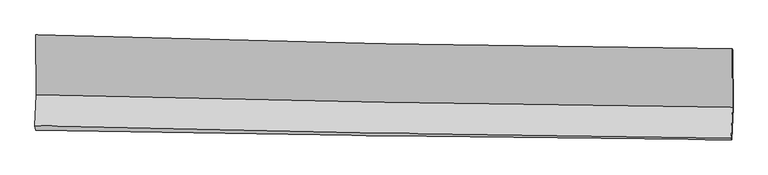
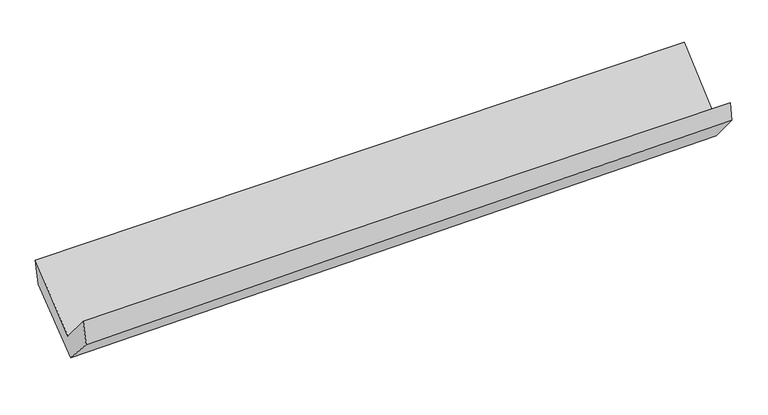
"""IFC4 building model written with IfcOpenShell, lengths in millimetres: proxy geometry."""

import ifcopenshell
import ifcopenshell.guid

model = None  # the IFC model being written
_history = None  # IfcOwnerHistory: only IFC2X3 demands one
_inside = {}  # id of a spatial element -> (the spatial element, [elements in it])
_under = {}  # id of a project, library or spatial element -> (it, [spatial elements below it])
_declared = {}  # id of a project -> (the project, [libraries it declares])
_typed = {}  # id of a type object -> (the type object, [elements of that type])
_made_of = {}  # id of a material, layer set ... -> (it, [elements and type objects made of it])


def new_model(schema):
    """Start an empty IFC model of exactly this schema.

    Asked for "IFC4X3", IfcOpenShell would pick the latest addendum, in which some entities
    have other attributes; the version numbers below select the first issue.
    IFC2X3 requires an IfcOwnerHistory on every rooted entity: one is made here for all.
    """
    global model, _history
    if schema == "IFC4X3":
        model = ifcopenshell.file(schema_version=(4, 3, 0, 0))
    else:
        model = ifcopenshell.file(schema=schema)
    _inside.clear()
    _under.clear()
    _declared.clear()
    _typed.clear()
    _made_of.clear()
    _history = None
    if model.schema == "IFC2X3":
        org = make("IfcOrganization", Name="unknown")
        user = make(
            "IfcPersonAndOrganization",
            ThePerson=make("IfcPerson", FamilyName="unknown"),
            TheOrganization=org,
        )
        app = make(
            "IfcApplication",
            ApplicationDeveloper=org,
            Version="unknown",
            ApplicationFullName="unknown",
            ApplicationIdentifier="unknown",
        )
        _history = make(
            "IfcOwnerHistory",
            OwningUser=user,
            OwningApplication=app,
            ChangeAction="ADDED",
            CreationDate=0,
        )
    return model


def make(cls, **values):
    """One entity of the class cls with the attributes given. An attribute that is None is left unset."""
    return model.create_entity(
        cls, **{name: value for name, value in values.items() if value is not None}
    )


def rooted(cls, **values):
    """An entity with a GlobalId (a new one), such as an element, a storey or a relation."""
    return make(cls, GlobalId=ifcopenshell.guid.new(), OwnerHistory=_history, **values)


def si_unit(unit_type, name, prefix=None):
    """IfcSIUnit, for example si_unit("LENGTHUNIT", "METRE", prefix="MILLI")."""
    return make("IfcSIUnit", UnitType=unit_type, Prefix=prefix, Name=name)


def assignment(units):
    """IfcUnitAssignment: the units of a project."""
    return None if units is None else make("IfcUnitAssignment", Units=units)


def point(xyz):
    """IfcCartesianPoint."""
    return None if xyz is None else make("IfcCartesianPoint", Coordinates=xyz)


def direction(xyz):
    """IfcDirection."""
    return None if xyz is None else make("IfcDirection", DirectionRatios=xyz)


def frame(location, z_axis=None, x_axis=None):
    """IfcAxis2Placement3D, a coordinate frame: its origin and axes. An axis left out is left unset."""
    return make(
        "IfcAxis2Placement3D",
        Location=point(location),
        Axis=direction(z_axis),
        RefDirection=direction(x_axis),
    )


def origin():
    """The frame at (0, 0, 0) with its axes left unset."""
    return frame((0.0, 0.0, 0.0))


def place(relative_to, where):
    """IfcLocalPlacement: puts the frame where relative to a parent placement (None: the world)."""
    return make(
        "IfcLocalPlacement", PlacementRelTo=relative_to, RelativePlacement=where
    )


def context(
    kind, dimensions, precision=None, world=None, true_north=None, identifier=None
):
    """IfcGeometricRepresentationContext, for example the 3D "Model" context."""
    return make(
        "IfcGeometricRepresentationContext",
        ContextIdentifier=identifier,
        ContextType=kind,
        CoordinateSpaceDimension=dimensions,
        Precision=precision,
        WorldCoordinateSystem=world,
        TrueNorth=true_north,
    )


def project(units=None, contexts=None):
    """IfcProject with its units and contexts."""
    return rooted(
        "IfcProject",
        Name="project",
        RepresentationContexts=contexts,
        UnitsInContext=assignment(units),
    )


def spatial(cls, under=None, at=None, **own):
    """A site, building, storey or space (cls), placed at a placement, below another one or the project."""
    s = rooted(cls, ObjectPlacement=at, **own)
    if under is not None:
        _under.setdefault(under.id(), (under, []))[1].append(s)
    return s


def shape(context_of_items, identifier, shape_type, items):
    """IfcShapeRepresentation: the items that make up one representation, for example the "Body"."""
    return make(
        "IfcShapeRepresentation",
        ContextOfItems=context_of_items,
        RepresentationIdentifier=identifier,
        RepresentationType=shape_type,
        Items=items,
    )


def source(mapping_origin, context_of_items, identifier, shape_type, items):
    """IfcRepresentationMap: a shape defined once, which mapped items show again and again."""
    return make(
        "IfcRepresentationMap",
        MappingOrigin=mapping_origin,
        MappedRepresentation=shape(context_of_items, identifier, shape_type, items),
    )


def transform(
    local_origin,
    x_axis=None,
    y_axis=None,
    z_axis=None,
    scale=None,
    scale2=None,
    scale3=None,
    uniform=True,
):
    """IfcCartesianTransformationOperator3D, or its non-uniform kind. x_axis, y_axis, z_axis: its Axis1, 2, 3."""
    if uniform:
        return make(
            "IfcCartesianTransformationOperator3D",
            Axis1=direction(x_axis),
            Axis2=direction(y_axis),
            LocalOrigin=point(local_origin),
            Scale=scale,
            Axis3=direction(z_axis),
        )
    return make(
        "IfcCartesianTransformationOperator3DnonUniform",
        Axis1=direction(x_axis),
        Axis2=direction(y_axis),
        LocalOrigin=point(local_origin),
        Scale=scale,
        Axis3=direction(z_axis),
        Scale2=scale2,
        Scale3=scale3,
    )


def mapped(mapping_source, mapping_target):
    """IfcMappedItem: shows the shape of a source again, moved by a transform."""
    return make(
        "IfcMappedItem", MappingSource=mapping_source, MappingTarget=mapping_target
    )


def made_of(thing, what):
    """Note that an element or type object is made of a material, layer set ...; save() writes the relation."""
    if what is not None:
        _made_of.setdefault(what.id(), (what, []))[1].append(thing)
    return thing


def element(
    cls,
    number,
    at=None,
    inside=None,
    cuts=None,
    type_object=None,
    material=None,
    context=None,
    identifier="Body",
    shape_type=None,
    held_by="IfcProductDefinitionShape",
    body=None,
    shapes=None,
    **own,
):
    """One element of the class cls, such as IfcWall. Its Tag is "e" and its number.

    at: its placement. inside: the storey or other place that contains it. cuts: it is an
    opening in that element (IfcRelVoidsElement). A single representation is given by context,
    identifier, shape_type and body (its items); several are given by shapes. held_by: the class
    of the entity that holds the representations. save() writes the other relations.
    """
    e = rooted(cls, Tag="e%d" % number, ObjectPlacement=at, **own)
    if body is not None:
        shapes = [shape(context, identifier, shape_type, body)]
    if shapes is not None:
        e.Representation = make(held_by, Representations=shapes)
    if inside is not None:
        _inside.setdefault(inside.id(), (inside, []))[1].append(e)
    if cuts is not None:
        rooted(
            "IfcRelVoidsElement", RelatingBuildingElement=cuts, RelatedOpeningElement=e
        )
    if type_object is not None:
        _typed.setdefault(type_object.id(), (type_object, []))[1].append(e)
    return made_of(e, material)


def aggregate(whole, parts):
    """IfcRelAggregates: a whole, such as a stair, and the parts it consists of."""
    return rooted("IfcRelAggregates", RelatingObject=whole, RelatedObjects=parts)


def save(model, path):
    """Write the relations noted so far, then the file.

    IfcRelAggregates (storeys below a building ...), IfcRelContainedInSpatialStructure (elements
    in a storey), IfcRelDefinesByType, IfcRelAssociatesMaterial and IfcRelDeclares: one each for
    every whole, place, type object, material and project.
    """
    for whole, parts in _under.values():
        aggregate(whole, parts)
    for where, things in _inside.values():
        rooted(
            "IfcRelContainedInSpatialStructure",
            RelatedElements=things,
            RelatingStructure=where,
        )
    for kind, things in _typed.values():
        rooted("IfcRelDefinesByType", RelatedObjects=things, RelatingType=kind)
    for what, things in _made_of.values():
        rooted("IfcRelAssociatesMaterial", RelatedObjects=things, RelatingMaterial=what)
    for by, libraries in _declared.values():
        rooted("IfcRelDeclares", RelatingContext=by, RelatedDefinitions=libraries)
    model.write(path)


def plane_surface(at):
    """IfcPlane: the flat surface through the origin of the frame at, square to its z axis."""
    return make("IfcPlane", Position=at)


def spline_curve(degree, points, multiplicities, knots, weights=None):
    """IfcBSplineCurveWithKnots; with weights, IfcRationalBSplineCurveWithKnots."""
    own = dict(
        Degree=degree,
        ControlPointsList=[point(p) for p in points],
        CurveForm="UNSPECIFIED",
        ClosedCurve=False,
        SelfIntersect=False,
        KnotMultiplicities=multiplicities,
        Knots=knots,
        KnotSpec="UNSPECIFIED",
    )
    if weights is None:
        return make("IfcBSplineCurveWithKnots", **own)
    return make("IfcRationalBSplineCurveWithKnots", WeightsData=weights, **own)


def spline_surface(u_degree, v_degree, points, u_multiplicities, v_multiplicities, u_knots, v_knots, weights=None):
    """IfcBSplineSurfaceWithKnots; with weights, IfcRationalBSplineSurfaceWithKnots. points: one row for each step in u."""
    own = dict(
        UDegree=u_degree,
        VDegree=v_degree,
        ControlPointsList=[[point(p) for p in row] for row in points],
        SurfaceForm="UNSPECIFIED",
        UClosed=False,
        VClosed=False,
        SelfIntersect=False,
        UMultiplicities=u_multiplicities,
        VMultiplicities=v_multiplicities,
        UKnots=u_knots,
        VKnots=v_knots,
        KnotSpec="UNSPECIFIED",
    )
    if weights is None:
        return make("IfcBSplineSurfaceWithKnots", **own)
    return make("IfcRationalBSplineSurfaceWithKnots", WeightsData=weights, **own)


def advanced_brep(points, edges, surfaces, faces):
    """IfcAdvancedBrep: a solid bounded by faces that lie on surfaces and meet in shared edges.

    An edge is (start, end): straight between two places in points (the first is 0);
    or (start, end, curve); or (start, end, curve, False) where it runs against its curve.
    A face is (place in surfaces, loops), or (place, loops, False) where it looks against
    its surface's normal. A loop lists edges by number (the first is 1), with a minus sign
    where the edge is run from its end to its start. The first loop is the outer one.
    """
    corners = [point(p) for p in points]
    vertices = [make("IfcVertexPoint", VertexGeometry=c) for c in corners]
    made = []
    for start, end, *more in edges:
        made.append(
            make(
                "IfcEdgeCurve",
                EdgeStart=vertices[start],
                EdgeEnd=vertices[end],
                EdgeGeometry=more[0] if more else make("IfcPolyline", Points=[corners[start], corners[end]]),
                SameSense=more[1] if len(more) > 1 else True,
            )
        )
    hull = []
    for where, loops, *sense in faces:
        bounds = []
        for j, loop in enumerate(loops):
            ring = [make("IfcOrientedEdge", EdgeElement=made[abs(k) - 1], Orientation=k > 0) for k in loop]
            bounds.append(
                make(
                    "IfcFaceOuterBound" if j == 0 else "IfcFaceBound",
                    Bound=make("IfcEdgeLoop", EdgeList=ring),
                    Orientation=True,
                )
            )
        hull.append(make("IfcAdvancedFace", Bounds=bounds, FaceSurface=surfaces[where], SameSense=sense[0] if sense else True))
    return make("IfcAdvancedBrep", Outer=make("IfcClosedShell", CfsFaces=hull))


def generic_models_3b0352d2(model_context):
    return source(origin(), model_context, "Body", "AdvancedBrep", [
        advanced_brep(
        [(-2967.1658597, -1155.2034699, 2181.6832668), (-2960.0354159, -1661.2045021, 1740.8996369), (2952.897885, -1769.7724606, 1870.0134246), (2950.9260207, -1272.2439294, 2304.6358381), (-2972.3462822, -1925.564097, 2052.593024), (2940.7185063, -2031.3085323, 2178.3777344), (-2966.7034925, -1964.235697, 1846.6120864), (2944.5278841, -2044.9005275, 2013.9551149), (-2955.0427938, -1700.8720937, 1556.4994007), (2957.1068882, -1774.7830265, 1695.4728641), (-2961.2066749, -1193.0096167, 1965.3507247), (2955.1606558, -1285.5481035, 2123.1443161)],
        [
            (0, 1),
            (1, 2, spline_curve(3, [(-2960.0354159, -1661.2045021, 1740.8996369), (-1975.368929108, -1686.623684699, 1773.104060756), (-990.50724354, -1708.378247918, 1799.963383305), (980.470180954, -1744.573996365, 1843.010689637), (1966.586262491, -1759.008752559, 1859.189295996), (2952.897885, -1769.7724606, 1870.0134246)], [4, 2, 4], [0.0, 9.703847378188698, 19.416202671461306])),
            (2, 3),
            (3, 0, spline_curve(3, [(2950.9260207, -1272.2439294, 2304.6358381), (1963.896988269, -1262.627712179, 2292.953301427), (976.992101043, -1248.059789264, 2276.859563814), (-995.704975101, -1209.037631314, 2235.867648284), (-1981.497381122, -1184.592067551, 2210.977195657), (-2967.1658597, -1155.2034699, 2181.6832668)], [4, 2, 4], [0.0, 9.712355293272608, 19.416202671461306])),
            (1, 4),
            (4, 5, spline_curve(3, [(-2972.3462822, -1925.564097, 2052.593024), (-1987.714377513, -1951.725884578, 2085.6730165), (-1002.859042936, -1973.616825433, 2112.693135608), (968.162161534, -2008.872462506, 2154.632002831), (1954.328422844, -2022.2296668, 2169.540120693), (2940.7185063, -2031.3085323, 2178.3777344)], [4, 2, 4], [0.0, 9.699635102573902, 19.40777442709003])),
            (5, 2),
            (4, 6),
            (6, 7, spline_curve(3, [(-2966.7034925, -1964.235697, 1846.6120864), (-1982.316938334, -1981.342933409, 1883.973085692), (-997.736983343, -1996.616479179, 1916.594805032), (972.673136372, -2023.507973107, 1972.384128289), (1958.503639998, -2035.122703911, 1995.543418962), (2944.5278841, -2044.9005275, 2013.9551149)], [4, 2, 4], [0.0, 9.698530176803086, 19.40556360679711])),
            (7, 5),
            (6, 8),
            (8, 9, spline_curve(3, [(-2955.0427938, -1700.8720937, 1556.4994007), (-1970.203066102, -1714.729824528, 1579.827369692), (-985.319966188, -1727.815573728, 1603.067440094), (985.396518462, -1752.453905653, 1649.392081932), (1971.229979164, -1764.005134045, 1672.476499387), (2957.1068882, -1774.7830265, 1695.4728641)], [4, 2, 4], [0.0, 9.697530830937788, 19.40356403888314])),
            (9, 7),
            (8, 10),
            (10, 11, spline_curve(3, [(-2961.2066749, -1193.0096167, 1965.3507247), (-1975.825981692, -1214.03238496, 1999.902308069), (-990.321117869, -1232.253159113, 2030.323614554), (981.80110792, -1263.104236808, 2082.928723887), (1968.418687653, -1275.729624959, 2105.105281282), (2955.1606558, -1285.5481035, 2123.1443161)], [4, 2, 4], [0.0, 9.70167296421327, 19.411851937078005])),
            (11, 9),
            (10, 0),
            (3, 11),
        ],
        [
            spline_surface(3, 3, [[(-2967.1658597, -1155.2034699, 2181.6832668), (-1981.497381146, -1184.592067653, 2210.977195578), (-995.704975066, -1209.037631292, 2235.867648374), (976.992101008, -1248.059789285, 2276.859563724), (1963.896988371, -1262.627712117, 2292.95330141), (2950.9260207, -1272.2439294, 2304.6358381)], [(-2964.789045104, -1323.870480626, 2034.755390161), (-1979.454563822, -1351.935940004, 2065.019483935), (-993.97239788, -1375.484503522, 2090.566226734), (978.151461011, -1413.564524945, 2132.243272314), (1964.793413004, -1428.088058896, 2148.365299604), (2951.583308774, -1438.086773118, 2159.761700278)], [(-2962.412230496, -1492.537491374, 1887.827513539), (-1977.411746486, -1519.279812379, 1919.06177231), (-992.239820741, -1541.93137577, 1945.26480509), (979.310820966, -1579.069260624, 1987.626980902), (1965.689837714, -1593.548405722, 2003.777297765), (2952.240596926, -1603.929616882, 2014.887562422)], [(-2960.0354159, -1661.2045021, 1740.8996369), (-1975.368929162, -1686.62368473, 1773.104060667), (-990.507243554, -1708.378247999, 1799.96338345), (980.470180969, -1744.573996284, 1843.010689492), (1966.586262347, -1759.008752501, 1859.189295959), (2952.897885, -1769.7724606, 1870.0134246)]], [4, 4], [4, 2, 4], [0.0, 2.1689953223749576], [0.0, 9.703847378188698, 19.416202671461306]),
            spline_surface(3, 3, [[(-2960.0354159, -1661.2045021, 1740.8996369), (-1975.368929162, -1686.62368473, 1773.104060667), (-990.507243554, -1708.378247999, 1799.96338345), (980.470180969, -1744.573996284, 1843.010689492), (1966.586262347, -1759.008752501, 1859.189295959), (2952.897885, -1769.7724606, 1870.0134246)], [(-2964.139037997, -1749.324367075, 1844.797432599), (-1979.484078623, -1774.991084635, 1877.293712618), (-994.62450999, -1796.791107121, 1904.206634126), (976.367507761, -1832.6734851, 1946.884460665), (1962.500315851, -1846.749057296, 1962.639570931), (2948.838092113, -1856.951151164, 1972.801527874)], [(-2968.242660103, -1837.444232025, 1948.695228301), (-1983.599228094, -1863.358484514, 1981.483364573), (-998.74177637, -1885.203966164, 2008.449884778), (972.26483461, -1920.772973837, 2050.758231812), (1958.414369314, -1934.489362099, 2066.089845882), (2944.778299187, -1944.129841736, 2075.589631126)], [(-2972.3462822, -1925.564097, 2052.593024), (-1987.714377556, -1951.725884419, 2085.673016524), (-1002.859042805, -1973.616825286, 2112.693135454), (968.162161403, -2008.872462653, 2154.632002985), (1954.328422818, -2022.229666894, 2169.540120854), (2940.7185063, -2031.3085323, 2178.3777344)]], [4, 4], [4, 2, 4], [0.0, 1.3435727880903825], [0.0, 9.699635102573902, 19.40777442709003]),
            spline_surface(3, 3, [[(-2972.3462822, -1925.564097, 2052.593024), (-1987.714377556, -1951.725884419, 2085.673016524), (-1002.859042805, -1973.616825286, 2112.693135454), (968.162161403, -2008.872462653, 2154.632002985), (1954.328422818, -2022.229666894, 2169.540120854), (2940.7185063, -2031.3085323, 2178.3777344)], [(-2970.46535229, -1938.454630328, 1983.932711472), (-1985.915231181, -1961.59823413, 2018.439706283), (-1001.151689603, -1981.283376633, 2047.327025266), (969.665819727, -2013.750966092, 2093.882711457), (1955.720161878, -2026.527345943, 2111.541220165), (2941.988298899, -2035.839197365, 2123.570194547)], [(-2968.58442241, -1951.345163672, 1915.272398928), (-1984.116084837, -1971.470583856, 1951.206396027), (-999.444336475, -1988.949927974, 1981.960915093), (971.169477978, -2018.629469526, 2033.133419945), (1957.111900941, -2030.825024998, 2053.542319536), (2943.258091501, -2040.369862435, 2068.762654753)], [(-2966.7034925, -1964.235697, 1846.6120864), (-1982.316938462, -1981.342933567, 1883.973085786), (-997.736983274, -1996.616479321, 1916.594804904), (972.673136302, -2023.507972965, 1972.384128416), (1958.503640002, -2035.122704047, 1995.543418848), (2944.5278841, -2044.9005275, 2013.9551149)]], [4, 4], [4, 2, 4], [0.0, 0.6238888316774367], [0.0, 9.698530176803086, 19.40556360679711]),
            spline_surface(3, 3, [[(-2966.7034925, -1964.235697, 1846.6120864), (-1982.316938462, -1981.342933567, 1883.973085786), (-997.736983274, -1996.616479321, 1916.594804904), (972.673136302, -2023.507972965, 1972.384128416), (1958.503640002, -2035.122704047, 1995.543418848), (2944.5278841, -2044.9005275, 2013.9551149)], [(-2962.816592934, -1876.447829244, 1749.907857819), (-1978.278980971, -1892.471897203, 1782.591180408), (-993.59797759, -1907.016177446, 1812.085683277), (976.914263654, -1933.156617164, 1864.720112955), (1962.745753098, -1944.750180677, 1887.854445748), (2948.720885478, -1954.861360506, 1907.794364655)], [(-2958.929693366, -1788.659961456, 1653.203629281), (-1974.241023479, -1803.600860805, 1681.209275072), (-989.458971837, -1817.415875632, 1707.576561635), (981.155391076, -1842.805261425, 1757.05609748), (1966.987866161, -1854.377657289, 1780.165472581), (2952.913886822, -1864.822193494, 1801.633614345)], [(-2955.0427938, -1700.8720937, 1556.4994007), (-1970.203065988, -1714.72982444, 1579.827369694), (-985.319966154, -1727.815573757, 1603.067440008), (985.396518428, -1752.453905624, 1649.392082018), (1971.229979258, -1764.00513392, 1672.476499481), (2957.1068882, -1774.7830265, 1695.4728641)]], [4, 4], [4, 2, 4], [0.0, 1.369770389433687], [0.0, 9.697530830937788, 19.40356403888314]),
            spline_surface(3, 3, [[(-2955.0427938, -1700.8720937, 1556.4994007), (-1970.203065988, -1714.72982444, 1579.827369694), (-985.319966154, -1727.815573757, 1603.067440008), (985.396518428, -1752.453905624, 1649.392082018), (1971.229979258, -1764.00513392, 1672.476499481), (2957.1068882, -1774.7830265, 1695.4728641)], [(-2957.097420844, -1531.584601364, 1692.783175381), (-1972.077371215, -1547.830677989, 1719.852349167), (-986.987016707, -1562.62810221, 1745.486164829), (984.198048258, -1589.337349376, 1793.904295984), (1970.292882047, -1601.246630992, 1816.68609342), (2956.458144051, -1611.704718841, 1838.030014742)], [(-2959.152047856, -1362.297109036, 1829.066950019), (-1973.951676408, -1380.931531546, 1859.877328598), (-988.654067288, -1397.440630626, 1887.904889677), (982.999578061, -1426.22079309, 1938.416509977), (1969.355784882, -1438.488128041, 1960.895687433), (2955.809399949, -1448.626411159, 1980.587165458)], [(-2961.2066749, -1193.0096167, 1965.3507247), (-1975.825981635, -1214.032385094, 1999.902308071), (-990.321117842, -1232.25315908, 2030.323614498), (981.801107892, -1263.104236841, 2082.928723943), (1968.418687671, -1275.729625113, 2105.105281371), (2955.1606558, -1285.5481035, 2123.1443161)]], [4, 4], [4, 2, 4], [0.0, 2.145810197051973], [0.0, 9.70167296421327, 19.411851937078005]),
            spline_surface(3, 3, [[(-2961.2066749, -1193.0096167, 1965.3507247), (-1975.825981635, -1214.032385094, 1999.902308071), (-990.321117842, -1232.25315908, 2030.323614498), (981.801107892, -1263.104236841, 2082.928723943), (1968.418687671, -1275.729625113, 2105.105281371), (2955.1606558, -1285.5481035, 2123.1443161)], [(-2963.193069831, -1180.407567762, 2037.461572069), (-1977.716448136, -1204.218945943, 2070.260603909), (-992.115736924, -1224.514649803, 2098.838292457), (980.19810559, -1258.089420975, 2147.572337204), (1966.911454588, -1271.362320787, 2167.721288056), (2953.749110784, -1281.113378806, 2183.641490105)], [(-2965.179464769, -1167.805518838, 2109.572419431), (-1979.606914645, -1194.405506804, 2140.61889974), (-993.910355983, -1216.776140569, 2167.352970415), (978.595103311, -1253.074605151, 2212.215950463), (1965.404221454, -1266.995016443, 2230.337294726), (2952.337565716, -1276.678654094, 2244.138664095)], [(-2967.1658597, -1155.2034699, 2181.6832668), (-1981.497381146, -1184.592067653, 2210.977195578), (-995.704975066, -1209.037631292, 2235.867648374), (976.992101008, -1248.059789285, 2276.859563724), (1963.896988371, -1262.627712117, 2292.95330141), (2950.9260207, -1272.2439294, 2304.6358381)]], [4, 4], [4, 2, 4], [0.0, 0.658499804884884], [0.0, 9.706903907027009, 19.422318408970657]),
            plane_surface(frame((2950.2229733, -1696.4260966, 2030.9332154), z_axis=(0.9995434142450176, -0.01753434504599026, 0.024607108388058074), x_axis=(-0.0029950635282830138, 0.7528852360805798, 0.6581450074917771))),
            plane_surface(frame((-2963.7500865, -1600.0149127, 1890.6063566), z_axis=(-0.999494412577039, 0.011676875832053606, -0.02957312628185922), x_axis=(0.02712517589787765, -0.17208702496452738, -0.9847082210844832))),
        ],
        [
            (0, [[1, 2, 3, 4]]),
            (1, [[5, 6, 7, -2]]),
            (2, [[8, 9, 10, -6]]),
            (3, [[11, 12, 13, -9]]),
            (4, [[14, 15, 16, -12]]),
            (5, [[17, -4, 18, -15]]),
            (6, [[-16, -18, -3, -7, -10, -13]]),
            (7, [[-17, -14, -11, -8, -5, -1]]),
        ],
    ),
    ])


if __name__ == "__main__":
    model = new_model("IFC4")
    model_context = context("Model", 3, world=origin())
    ifc_project = project(units=[si_unit("LENGTHUNIT", "METRE", prefix="MILLI")], contexts=[model_context])
    site = spatial("IfcSite", under=ifc_project)
    building = spatial("IfcBuilding", under=site)
    placement = place(None, origin())
    generic_models_shape = generic_models_3b0352d2(model_context)
    element("IfcBuildingElementProxy", 1, Name="Generic Models", at=placement, inside=building, context=model_context, shape_type="MappedRepresentation", body=[
        mapped(generic_models_shape, transform((0.0, 0.0, 0.0), x_axis=(1.0, 0.0, 0.0), y_axis=(0.0, 1.0, 0.0), z_axis=(0.0, 0.0, 1.0))),
    ])
    save(model, "model.ifc")
